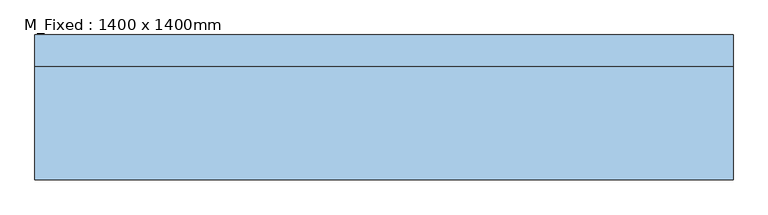
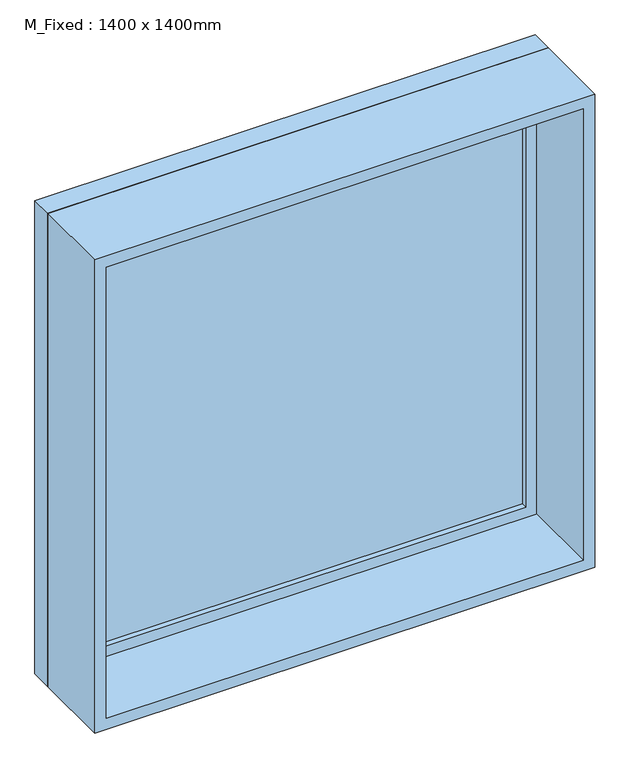
"""IFC4 building model written with IfcOpenShell, lengths in millimetres: window geometry, M_Fixed : 1400 x 1400mm."""

import ifcopenshell
import ifcopenshell.guid

model = None  # the IFC model being written
_history = None  # IfcOwnerHistory: only IFC2X3 demands one
_inside = {}  # id of a spatial element -> (the spatial element, [elements in it])
_under = {}  # id of a project, library or spatial element -> (it, [spatial elements below it])
_declared = {}  # id of a project -> (the project, [libraries it declares])
_typed = {}  # id of a type object -> (the type object, [elements of that type])
_made_of = {}  # id of a material, layer set ... -> (it, [elements and type objects made of it])


def new_model(schema):
    """Start an empty IFC model of exactly this schema.

    Asked for "IFC4X3", IfcOpenShell would pick the latest addendum, in which some entities
    have other attributes; the version numbers below select the first issue.
    IFC2X3 requires an IfcOwnerHistory on every rooted entity: one is made here for all.
    """
    global model, _history
    if schema == "IFC4X3":
        model = ifcopenshell.file(schema_version=(4, 3, 0, 0))
    else:
        model = ifcopenshell.file(schema=schema)
    _inside.clear()
    _under.clear()
    _declared.clear()
    _typed.clear()
    _made_of.clear()
    _history = None
    if model.schema == "IFC2X3":
        org = make("IfcOrganization", Name="unknown")
        user = make(
            "IfcPersonAndOrganization",
            ThePerson=make("IfcPerson", FamilyName="unknown"),
            TheOrganization=org,
        )
        app = make(
            "IfcApplication",
            ApplicationDeveloper=org,
            Version="unknown",
            ApplicationFullName="unknown",
            ApplicationIdentifier="unknown",
        )
        _history = make(
            "IfcOwnerHistory",
            OwningUser=user,
            OwningApplication=app,
            ChangeAction="ADDED",
            CreationDate=0,
        )
    return model


def make(cls, **values):
    """One entity of the class cls with the attributes given. An attribute that is None is left unset."""
    return model.create_entity(
        cls, **{name: value for name, value in values.items() if value is not None}
    )


def rooted(cls, **values):
    """An entity with a GlobalId (a new one), such as an element, a storey or a relation."""
    return make(cls, GlobalId=ifcopenshell.guid.new(), OwnerHistory=_history, **values)


def si_unit(unit_type, name, prefix=None):
    """IfcSIUnit, for example si_unit("LENGTHUNIT", "METRE", prefix="MILLI")."""
    return make("IfcSIUnit", UnitType=unit_type, Prefix=prefix, Name=name)


def assignment(units):
    """IfcUnitAssignment: the units of a project."""
    return None if units is None else make("IfcUnitAssignment", Units=units)


def point(xyz):
    """IfcCartesianPoint."""
    return None if xyz is None else make("IfcCartesianPoint", Coordinates=xyz)


def direction(xyz):
    """IfcDirection."""
    return None if xyz is None else make("IfcDirection", DirectionRatios=xyz)


def frame(location, z_axis=None, x_axis=None):
    """IfcAxis2Placement3D, a coordinate frame: its origin and axes. An axis left out is left unset."""
    return make(
        "IfcAxis2Placement3D",
        Location=point(location),
        Axis=direction(z_axis),
        RefDirection=direction(x_axis),
    )


def origin():
    """The frame at (0, 0, 0) with its axes left unset."""
    return frame((0.0, 0.0, 0.0))


def place(relative_to, where):
    """IfcLocalPlacement: puts the frame where relative to a parent placement (None: the world)."""
    return make(
        "IfcLocalPlacement", PlacementRelTo=relative_to, RelativePlacement=where
    )


def context(
    kind, dimensions, precision=None, world=None, true_north=None, identifier=None
):
    """IfcGeometricRepresentationContext, for example the 3D "Model" context."""
    return make(
        "IfcGeometricRepresentationContext",
        ContextIdentifier=identifier,
        ContextType=kind,
        CoordinateSpaceDimension=dimensions,
        Precision=precision,
        WorldCoordinateSystem=world,
        TrueNorth=true_north,
    )


def project(units=None, contexts=None):
    """IfcProject with its units and contexts."""
    return rooted(
        "IfcProject",
        Name="project",
        RepresentationContexts=contexts,
        UnitsInContext=assignment(units),
    )


def spatial(cls, under=None, at=None, **own):
    """A site, building, storey or space (cls), placed at a placement, below another one or the project."""
    s = rooted(cls, ObjectPlacement=at, **own)
    if under is not None:
        _under.setdefault(under.id(), (under, []))[1].append(s)
    return s


def polyline(points):
    """IfcPolyline through the points."""
    return make("IfcPolyline", Points=[point(p) for p in points])


def outline(outer, holes=None, kind="AREA"):
    """IfcArbitraryClosedProfileDef: a profile drawn as a closed curve; with holes, ...WithVoids."""
    if holes is None:
        return make("IfcArbitraryClosedProfileDef", ProfileType=kind, OuterCurve=outer)
    return make(
        "IfcArbitraryProfileDefWithVoids",
        ProfileType=kind,
        OuterCurve=outer,
        InnerCurves=holes,
    )


def extrude(swept, where, along, depth):
    """IfcExtrudedAreaSolid: the profile swept, set in the frame where, extruded along a direction by depth."""
    return make(
        "IfcExtrudedAreaSolid",
        SweptArea=swept,
        Position=where,
        ExtrudedDirection=direction(along),
        Depth=depth,
    )


def shape(context_of_items, identifier, shape_type, items):
    """IfcShapeRepresentation: the items that make up one representation, for example the "Body"."""
    return make(
        "IfcShapeRepresentation",
        ContextOfItems=context_of_items,
        RepresentationIdentifier=identifier,
        RepresentationType=shape_type,
        Items=items,
    )


def source(mapping_origin, context_of_items, identifier, shape_type, items):
    """IfcRepresentationMap: a shape defined once, which mapped items show again and again."""
    return make(
        "IfcRepresentationMap",
        MappingOrigin=mapping_origin,
        MappedRepresentation=shape(context_of_items, identifier, shape_type, items),
    )


def transform(
    local_origin,
    x_axis=None,
    y_axis=None,
    z_axis=None,
    scale=None,
    scale2=None,
    scale3=None,
    uniform=True,
):
    """IfcCartesianTransformationOperator3D, or its non-uniform kind. x_axis, y_axis, z_axis: its Axis1, 2, 3."""
    if uniform:
        return make(
            "IfcCartesianTransformationOperator3D",
            Axis1=direction(x_axis),
            Axis2=direction(y_axis),
            LocalOrigin=point(local_origin),
            Scale=scale,
            Axis3=direction(z_axis),
        )
    return make(
        "IfcCartesianTransformationOperator3DnonUniform",
        Axis1=direction(x_axis),
        Axis2=direction(y_axis),
        LocalOrigin=point(local_origin),
        Scale=scale,
        Axis3=direction(z_axis),
        Scale2=scale2,
        Scale3=scale3,
    )


def mapped(mapping_source, mapping_target):
    """IfcMappedItem: shows the shape of a source again, moved by a transform."""
    return make(
        "IfcMappedItem", MappingSource=mapping_source, MappingTarget=mapping_target
    )


def made_of(thing, what):
    """Note that an element or type object is made of a material, layer set ...; save() writes the relation."""
    if what is not None:
        _made_of.setdefault(what.id(), (what, []))[1].append(thing)
    return thing


def element(
    cls,
    number,
    at=None,
    inside=None,
    cuts=None,
    type_object=None,
    material=None,
    context=None,
    identifier="Body",
    shape_type=None,
    held_by="IfcProductDefinitionShape",
    body=None,
    shapes=None,
    **own,
):
    """One element of the class cls, such as IfcWall. Its Tag is "e" and its number.

    at: its placement. inside: the storey or other place that contains it. cuts: it is an
    opening in that element (IfcRelVoidsElement). A single representation is given by context,
    identifier, shape_type and body (its items); several are given by shapes. held_by: the class
    of the entity that holds the representations. save() writes the other relations.
    """
    e = rooted(cls, Tag="e%d" % number, ObjectPlacement=at, **own)
    if body is not None:
        shapes = [shape(context, identifier, shape_type, body)]
    if shapes is not None:
        e.Representation = make(held_by, Representations=shapes)
    if inside is not None:
        _inside.setdefault(inside.id(), (inside, []))[1].append(e)
    if cuts is not None:
        rooted(
            "IfcRelVoidsElement", RelatingBuildingElement=cuts, RelatedOpeningElement=e
        )
    if type_object is not None:
        _typed.setdefault(type_object.id(), (type_object, []))[1].append(e)
    return made_of(e, material)


def aggregate(whole, parts):
    """IfcRelAggregates: a whole, such as a stair, and the parts it consists of."""
    return rooted("IfcRelAggregates", RelatingObject=whole, RelatedObjects=parts)


def save(model, path):
    """Write the relations noted so far, then the file.

    IfcRelAggregates (storeys below a building ...), IfcRelContainedInSpatialStructure (elements
    in a storey), IfcRelDefinesByType, IfcRelAssociatesMaterial and IfcRelDeclares: one each for
    every whole, place, type object, material and project.
    """
    for whole, parts in _under.values():
        aggregate(whole, parts)
    for where, things in _inside.values():
        rooted(
            "IfcRelContainedInSpatialStructure",
            RelatedElements=things,
            RelatingStructure=where,
        )
    for kind, things in _typed.values():
        rooted("IfcRelDefinesByType", RelatedObjects=things, RelatingType=kind)
    for what, things in _made_of.values():
        rooted("IfcRelAssociatesMaterial", RelatedObjects=things, RelatingMaterial=what)
    for by, libraries in _declared.values():
        rooted("IfcRelDeclares", RelatingContext=by, RelatedDefinitions=libraries)
    model.write(path)


def m_fixed_1400_x_1400mm_4438eefb(model_context):
    return source(origin(), model_context, "Body", "SweptSolid", [
        extrude(outline(polyline([(-637.0, 123.0), (637.0, 123.0), (637.0, 111.0), (-637.0, 111.0), (-637.0, 123.0)])), frame((0.0, 0.0, 163.0), z_axis=(0.0, 0.0, 1.0), x_axis=(1.0, 0.0, 0.0)), (0.0, 0.0, 1.0), 1274.0),
        extrude(outline(polyline([(1481.0, -681.0), (119.0, -681.0), (119.0, 681.0), (1481.0, 681.0), (1481.0, -681.0)]), holes=[polyline([(1437.0, -637.0), (1437.0, 637.0), (163.0, 637.0), (163.0, -637.0), (1437.0, -637.0)])]), frame((0.0, 95.0, 0.0), z_axis=(0.0, 1.0, 0.0), x_axis=(0.0, 0.0, 1.0)), (0.0, 0.0, 1.0), 44.0),
        extrude(outline(polyline([(1500.0, -700.0), (100.0, -700.0), (100.0, 700.0), (1500.0, 700.0), (1500.0, -700.0)]), holes=[polyline([(1481.0, -681.0), (1481.0, 681.0), (119.0, 681.0), (119.0, -681.0), (1481.0, -681.0)])]), frame((0.0, 95.0, 0.0), z_axis=(0.0, 1.0, 0.0), x_axis=(0.0, 0.0, 1.0)), (0.0, 0.0, 1.0), 63.0),
        extrude(outline(polyline([(1500.0, -700.0), (100.0, -700.0), (100.0, 700.0), (1500.0, 700.0), (1500.0, -700.0)]), holes=[polyline([(1468.0, -668.0), (1468.0, 668.0), (132.0, 668.0), (132.0, -668.0), (1468.0, -668.0)])]), frame((0.0, -132.0, 0.0), z_axis=(0.0, 1.0, 0.0), x_axis=(0.0, 0.0, 1.0)), (0.0, 0.0, 1.0), 227.0),
    ])


if __name__ == "__main__":
    model = new_model("IFC4")
    model_context = context("Model", 3, world=origin())
    ifc_project = project(units=[si_unit("LENGTHUNIT", "METRE", prefix="MILLI")], contexts=[model_context])
    site = spatial("IfcSite", under=ifc_project)
    building = spatial("IfcBuilding", under=site)
    placement = place(None, origin())
    m_fixed_1400_x_1400mm_shape = m_fixed_1400_x_1400mm_4438eefb(model_context)
    element("IfcWindow", 1, ObjectType="M_Fixed : 1400 x 1400mm", at=placement, inside=building, context=model_context, shape_type="MappedRepresentation", body=[
        mapped(m_fixed_1400_x_1400mm_shape, transform((0.0, 0.0, 0.0), x_axis=(1.0, 0.0, 0.0), y_axis=(0.0, 1.0, 0.0), z_axis=(0.0, 0.0, 1.0))),
    ])
    save(model, "model.ifc")
